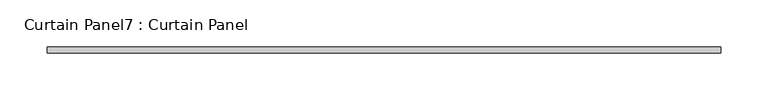
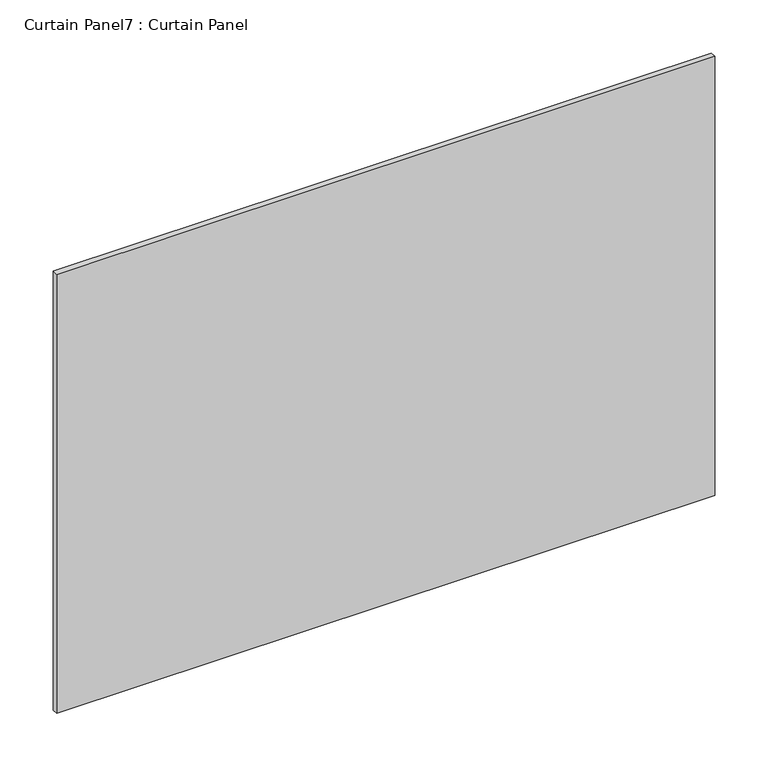
"""IFC4 building model written with IfcOpenShell, lengths in millimetres: plate geometry, Curtain Panel7 : Curtain Panel."""

from ifc_helpers import new_model, si_unit, frame, origin, place, context, project, spatial, polyline, outline, extrude, source, transform, mapped, element, save


def curtain_panel7_curtain_panel_209b3806(model_context):
    return source(origin(), model_context, "Body", "SweptSolid", [
        extrude(outline(polyline([(5437.4730993, 3568.3617926), (4722.2292464, 3568.3617926), (4722.2292464, 3574.7117926), (5437.4730993, 3574.7117926), (5437.4730993, 3568.3617926)])), frame((0.0, 0.0, 2020.911645), z_axis=(0.0, 0.0, 1.0), x_axis=(1.0, 0.0, 0.0)), (0.0, 0.0, 1.0), 504.68973),
    ])


if __name__ == "__main__":
    model = new_model("IFC4")
    model_context = context("Model", 3, world=origin())
    ifc_project = project(units=[si_unit("LENGTHUNIT", "METRE", prefix="MILLI")], contexts=[model_context])
    site = spatial("IfcSite", under=ifc_project)
    building = spatial("IfcBuilding", under=site)
    placement = place(None, origin())
    curtain_panel7_curtain_panel_shape = curtain_panel7_curtain_panel_209b3806(model_context)
    element("IfcPlate", 1, ObjectType="Curtain Panel7 : Curtain Panel", at=placement, inside=building, context=model_context, shape_type="MappedRepresentation", body=[
        mapped(curtain_panel7_curtain_panel_shape, transform((0.0, 0.0, 0.0), x_axis=(1.0, 0.0, 0.0), y_axis=(0.0, 1.0, 0.0), z_axis=(0.0, 0.0, 1.0))),
    ])
    save(model, "model.ifc")
